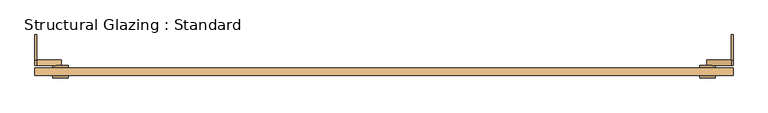
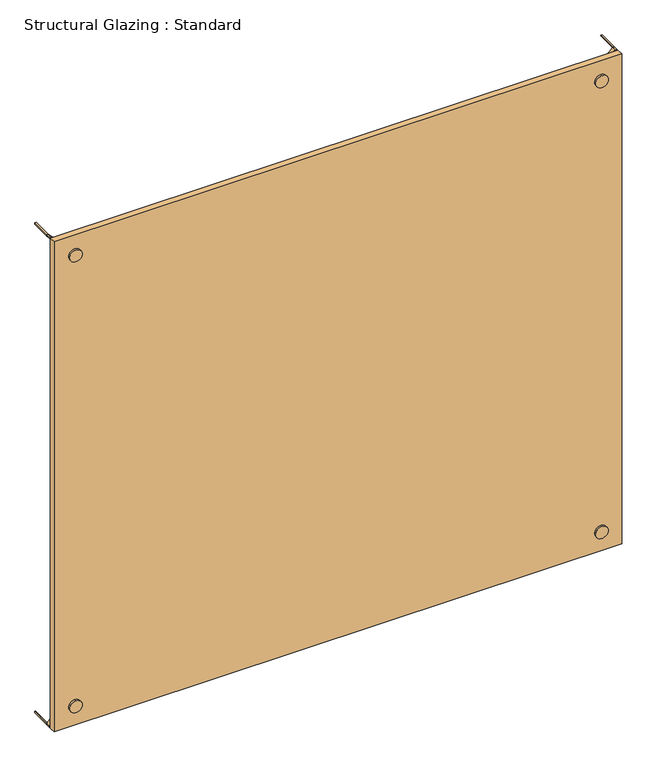
"""IFC4 building model written with IfcOpenShell, lengths in millimetres: door geometry, Structural Glazing : Standard."""

from ifc_helpers import new_model, si_unit, point, frame, frame_2d, origin, origin_with_axes, place, context, project, spatial, polyline, circle_curve, trimmed, segment, composite_curve, outline, extrude, source, transform, mapped, element, save


def structural_glazing_standard_c19b9822(model_context):
    return source(origin(), model_context, "Body", "SweptSolid", [
        extrude(outline(composite_curve([segment(trimmed(circle_curve(frame_2d((100.0, 1269.2209151)), 30.0), [point((100.0, 1239.2209151))], [point((100.0, 1299.2209151))], False, "CARTESIAN"), True, "CONTINUOUS"), segment(trimmed(circle_curve(frame_2d((100.0, 1269.2209151)), 30.0), [point((100.0, 1299.2209151))], [point((100.0, 1239.2209151))], False, "CARTESIAN"), True, "CONTINUOUS")], self_intersect=False)), frame((0.0, 28.9615014, 0.0), z_axis=(0.0, 1.0, 0.0), x_axis=(0.0, 0.0, 1.0)), (0.0, 0.0, 1.0), 10.0),
        extrude(outline(composite_curve([segment(trimmed(circle_curve(frame_2d((100.0, -1269.2209151)), 30.0), [point((100.0, -1299.2209151))], [point((100.0, -1239.2209151))], False, "CARTESIAN"), True, "CONTINUOUS"), segment(trimmed(circle_curve(frame_2d((100.0, -1269.2209151)), 30.0), [point((100.0, -1239.2209151))], [point((100.0, -1299.2209151))], False, "CARTESIAN"), True, "CONTINUOUS")], self_intersect=False)), frame((0.0, 28.9615014, 0.0), z_axis=(0.0, 1.0, 0.0), x_axis=(0.0, 0.0, 1.0)), (0.0, 0.0, 1.0), 10.0),
        extrude(outline(composite_curve([segment(trimmed(circle_curve(frame_2d((2400.0, -1269.2209151)), 30.0), [point((2400.0, -1299.2209151))], [point((2400.0, -1239.2209151))], False, "CARTESIAN"), True, "CONTINUOUS"), segment(trimmed(circle_curve(frame_2d((2400.0, -1269.2209151)), 30.0), [point((2400.0, -1239.2209151))], [point((2400.0, -1299.2209151))], False, "CARTESIAN"), True, "CONTINUOUS")], self_intersect=False)), frame((0.0, 28.9615014, 0.0), z_axis=(0.0, 1.0, 0.0), x_axis=(0.0, 0.0, 1.0)), (0.0, 0.0, 1.0), 10.0),
        extrude(outline(composite_curve([segment(trimmed(circle_curve(frame_2d((2400.0, 1269.2209151)), 30.0), [point((2400.0, 1239.2209151))], [point((2400.0, 1299.2209151))], False, "CARTESIAN"), True, "CONTINUOUS"), segment(trimmed(circle_curve(frame_2d((2400.0, 1269.2209151)), 30.0), [point((2400.0, 1299.2209151))], [point((2400.0, 1239.2209151))], False, "CARTESIAN"), True, "CONTINUOUS")], self_intersect=False)), frame((0.0, 28.9615014, 0.0), z_axis=(0.0, 1.0, 0.0), x_axis=(0.0, 0.0, 1.0)), (0.0, 0.0, 1.0), 10.0),
        extrude(outline(composite_curve([segment(trimmed(circle_curve(frame_2d((100.0, -1269.2209151)), 30.0), [point((100.0, -1299.2209151))], [point((100.0, -1239.2209151))], False, "CARTESIAN"), True, "CONTINUOUS"), segment(trimmed(circle_curve(frame_2d((100.0, -1269.2209151)), 30.0), [point((100.0, -1239.2209151))], [point((100.0, -1299.2209151))], False, "CARTESIAN"), True, "CONTINUOUS")], self_intersect=False)), frame((0.0, -11.0384986, 0.0), z_axis=(0.0, 1.0, 0.0), x_axis=(0.0, 0.0, 1.0)), (0.0, 0.0, 1.0), 10.0),
        extrude(outline(composite_curve([segment(trimmed(circle_curve(frame_2d((100.0, 1269.2209151)), 30.0), [point((100.0, 1239.2209151))], [point((100.0, 1299.2209151))], False, "CARTESIAN"), True, "CONTINUOUS"), segment(trimmed(circle_curve(frame_2d((100.0, 1269.2209151)), 30.0), [point((100.0, 1299.2209151))], [point((100.0, 1239.2209151))], False, "CARTESIAN"), True, "CONTINUOUS")], self_intersect=False)), frame((0.0, -11.0384986, 0.0), z_axis=(0.0, 1.0, 0.0), x_axis=(0.0, 0.0, 1.0)), (0.0, 0.0, 1.0), 10.0),
        extrude(outline(composite_curve([segment(trimmed(circle_curve(frame_2d((2400.0, -1269.2209151)), 30.0), [point((2400.0, -1299.2209151))], [point((2400.0, -1239.2209151))], False, "CARTESIAN"), True, "CONTINUOUS"), segment(trimmed(circle_curve(frame_2d((2400.0, -1269.2209151)), 30.0), [point((2400.0, -1239.2209151))], [point((2400.0, -1299.2209151))], False, "CARTESIAN"), True, "CONTINUOUS")], self_intersect=False)), frame((0.0, -11.0384986, 0.0), z_axis=(0.0, 1.0, 0.0), x_axis=(0.0, 0.0, 1.0)), (0.0, 0.0, 1.0), 10.0),
        extrude(outline(composite_curve([segment(trimmed(circle_curve(frame_2d((2400.0, 1269.2209151)), 30.0), [point((2400.0, 1239.2209151))], [point((2400.0, 1299.2209151))], False, "CARTESIAN"), True, "CONTINUOUS"), segment(trimmed(circle_curve(frame_2d((2400.0, 1269.2209151)), 30.0), [point((2400.0, 1299.2209151))], [point((2400.0, 1239.2209151))], False, "CARTESIAN"), True, "CONTINUOUS")], self_intersect=False)), frame((0.0, -11.0384986, 0.0), z_axis=(0.0, 1.0, 0.0), x_axis=(0.0, 0.0, 1.0)), (0.0, 0.0, 1.0), 10.0),
        extrude(outline(polyline([(1369.2209151, 28.9615014), (1369.2209151, -1.0384986), (-1369.2209151, -1.0384986), (-1369.2209151, 28.9615014), (1369.2209151, 28.9615014)])), origin_with_axes(), (0.0, 0.0, 1.0), 2500.0),
        extrude(outline(composite_curve([segment(polyline([(0.0, 1369.2209151), (7.0710678, 1369.2209151)]), True, "CONTINUOUS"), segment(trimmed(circle_curve(frame_2d((0.0, 1369.2209151)), 7.0710678), [point((7.0710678, 1369.2209151))], [point((0.0, 1362.1498473))], False, "CARTESIAN"), True, "CONTINUOUS"), segment(polyline([(0.0, 1362.1498473), (0.0, 1369.2209151)]), True, "CONTINUOUS")], self_intersect=False)), frame((0.0, 58.9615014, 0.0), z_axis=(0.0, 1.0, 0.0), x_axis=(0.0, 0.0, 1.0)), (0.0, 0.0, 1.0), 100.0),
        extrude(outline(composite_curve([segment(polyline([(0.0, -1369.2209151), (0.0, -1362.1498473)]), True, "CONTINUOUS"), segment(trimmed(circle_curve(frame_2d((0.0, -1369.2209151)), 7.0710678), [point((0.0, -1362.1498473))], [point((7.0710678, -1369.2209151))], False, "CARTESIAN"), True, "CONTINUOUS"), segment(polyline([(7.0710678, -1369.2209151), (0.0, -1369.2209151)]), True, "CONTINUOUS")], self_intersect=False)), frame((0.0, 58.9615014, 0.0), z_axis=(0.0, 1.0, 0.0), x_axis=(0.0, 0.0, 1.0)), (0.0, 0.0, 1.0), 100.0),
        extrude(outline(composite_curve([segment(polyline([(2500.0, 1369.2209151), (2500.0, 1362.1498473)]), True, "CONTINUOUS"), segment(trimmed(circle_curve(frame_2d((2500.0, 1369.2209151)), 7.0710678), [point((2500.0, 1362.1498473))], [point((2492.9289322, 1369.2209151))], False, "CARTESIAN"), True, "CONTINUOUS"), segment(polyline([(2492.9289322, 1369.2209151), (2500.0, 1369.2209151)]), True, "CONTINUOUS")], self_intersect=False)), frame((0.0, 58.9615014, 0.0), z_axis=(0.0, 1.0, 0.0), x_axis=(0.0, 0.0, 1.0)), (0.0, 0.0, 1.0), 100.0),
        extrude(outline(composite_curve([segment(polyline([(2500.0, -1362.1498473), (2500.0, -1369.2209151), (2492.9289322, -1369.2209151)]), True, "CONTINUOUS"), segment(trimmed(circle_curve(frame_2d((2500.0, -1369.2209151)), 7.0710678), [point((2492.9289322, -1369.2209151))], [point((2500.0, -1362.1498473))], False, "CARTESIAN"), True, "CONTINUOUS")], self_intersect=False)), frame((0.0, 58.9615014, 0.0), z_axis=(0.0, 1.0, 0.0), x_axis=(0.0, 0.0, 1.0)), (0.0, 0.0, 1.0), 100.0),
        extrude(outline(polyline([(103.5355339, 1272.756449), (96.4644661, 1265.6853812), (0.0, 1362.1498473), (0.0, 1369.2209151), (7.0710678, 1369.2209151), (103.5355339, 1272.756449)])), frame((0.0, 38.9615014, 0.0), z_axis=(0.0, 1.0, 0.0), x_axis=(0.0, 0.0, 1.0)), (0.0, 0.0, 1.0), 20.0),
        extrude(outline(polyline([(0.0, -1369.2209151), (0.0, -1362.1498473), (96.4644661, -1265.6853812), (103.5355339, -1272.756449), (7.0710678, -1369.2209151), (0.0, -1369.2209151)])), frame((0.0, 38.9615014, 0.0), z_axis=(0.0, 1.0, 0.0), x_axis=(0.0, 0.0, 1.0)), (0.0, 0.0, 1.0), 20.0),
        extrude(outline(polyline([(2500.0, -1362.1498473), (2500.0, -1369.2209151), (2492.9289322, -1369.2209151), (2396.4644661, -1272.756449), (2403.5355339, -1265.6853812), (2500.0, -1362.1498473)])), frame((0.0, 38.9615014, 0.0), z_axis=(0.0, 1.0, 0.0), x_axis=(0.0, 0.0, 1.0)), (0.0, 0.0, 1.0), 20.0),
        extrude(outline(polyline([(2500.0, 1362.1498473), (2403.5355339, 1265.6853812), (2396.4644661, 1272.756449), (2492.9289322, 1369.2209151), (2500.0, 1369.2209151), (2500.0, 1362.1498473)])), frame((0.0, 38.9615014, 0.0), z_axis=(0.0, 1.0, 0.0), x_axis=(0.0, 0.0, 1.0)), (0.0, 0.0, 1.0), 20.0),
    ])


if __name__ == "__main__":
    model = new_model("IFC4")
    model_context = context("Model", 3, world=origin())
    ifc_project = project(units=[si_unit("LENGTHUNIT", "METRE", prefix="MILLI")], contexts=[model_context])
    site = spatial("IfcSite", under=ifc_project)
    building = spatial("IfcBuilding", under=site)
    placement = place(None, origin())
    structural_glazing_standard_shape = structural_glazing_standard_c19b9822(model_context)
    element("IfcDoor", 1, ObjectType="Structural Glazing : Standard", at=placement, inside=building, context=model_context, shape_type="MappedRepresentation", body=[
        mapped(structural_glazing_standard_shape, transform((0.0, 0.0, 0.0), x_axis=(1.0, 0.0, 0.0), y_axis=(0.0, 1.0, 0.0), z_axis=(0.0, 0.0, 1.0))),
    ])
    save(model, "model.ifc")
